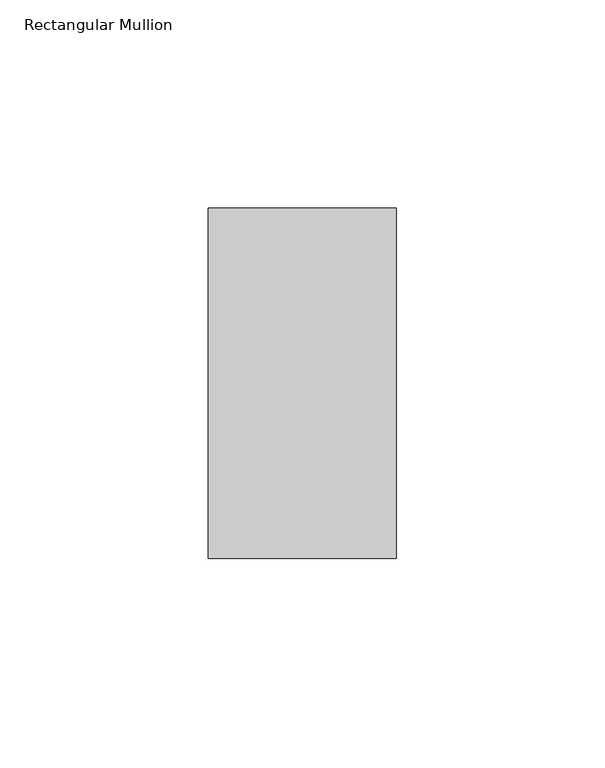
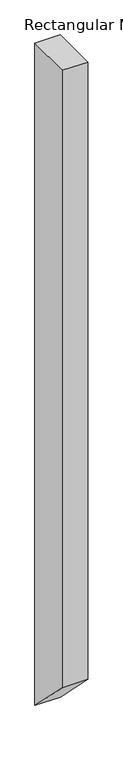
"""IFC4 building model written with IfcOpenShell, lengths in millimetres: member geometry, Rectangular Mullion."""

from ifc_helpers import new_model, si_unit, frame, origin, place, context, project, spatial, polyline, outline, extrude, source, transform, mapped, element, save


def rectangular_mullion_c327c3bb(model_context):
    return source(origin(), model_context, "Body", "SweptSolid", [
        extrude(outline(polyline([(-42.0, 0.0), (42.0, 0.0), (42.0, -1241.9999997), (-42.0, -1157.9999997), (-42.0, 0.0)])), frame((-45.0, 0.0, 0.0), z_axis=(1.0, 0.0, 0.0), x_axis=(0.0, 1.0, 0.0)), (0.0, 0.0, 1.0), 45.0),
    ])


if __name__ == "__main__":
    model = new_model("IFC4")
    model_context = context("Model", 3, world=origin())
    ifc_project = project(units=[si_unit("LENGTHUNIT", "METRE", prefix="MILLI")], contexts=[model_context])
    site = spatial("IfcSite", under=ifc_project)
    building = spatial("IfcBuilding", under=site)
    placement = place(None, origin())
    rectangular_mullion_shape = rectangular_mullion_c327c3bb(model_context)
    element("IfcMember", 1, ObjectType="Rectangular Mullion", at=placement, inside=building, context=model_context, shape_type="MappedRepresentation", body=[
        mapped(rectangular_mullion_shape, transform((0.0, 0.0, 0.0), x_axis=(1.0, 0.0, 0.0), y_axis=(0.0, 1.0, 0.0), z_axis=(0.0, 0.0, 1.0))),
    ])
    save(model, "model.ifc")
